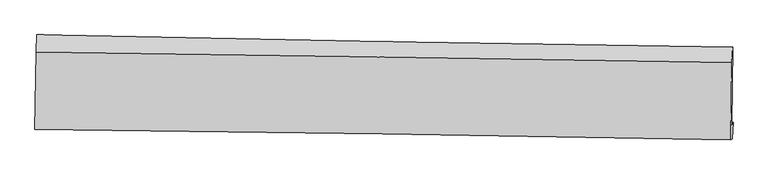
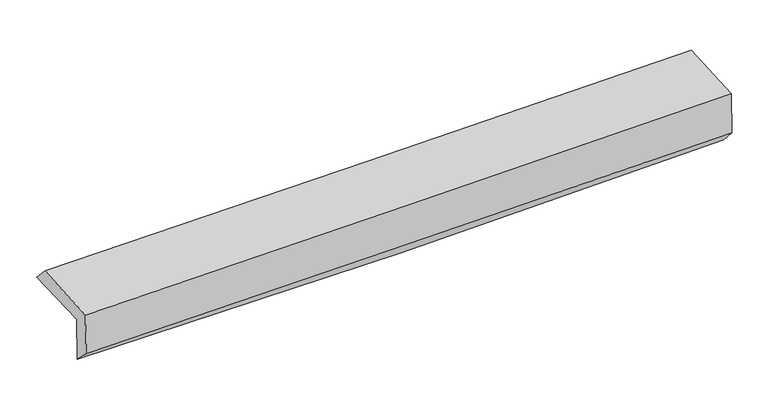
"""IFC4 building model written with IfcOpenShell, lengths in millimetres: proxy geometry."""

from ifc_helpers import new_model, si_unit, frame, origin, place, context, project, spatial, source, transform, mapped, element, save
from ifc_brep_helpers import plane_surface, spline_curve, spline_surface, advanced_brep


def generic_models_b0c7bb8a(model_context):
    return source(origin(), model_context, "Body", "AdvancedBrep", [
        advanced_brep(
        [(-3037.961766, -1752.9186602, 1960.637377), (-3027.7285283, -1080.1763421, 1967.4174707), (3024.6802159, -1189.3053956, 2106.4272679), (3014.2423661, -1866.0949067, 2104.3040422), (-3025.1324624, -1739.6831982, 1546.0754843), (3027.3348896, -1845.6497165, 1684.7722862), (-3032.3298912, -1898.821904, 1701.33675), (3020.1771517, -1987.382289, 1847.6003953), (-3044.4791078, -1906.4454856, 2096.424835), (3008.0325037, -1995.0030038, 2242.5399102), (-3034.8526452, -1230.4506475, 2124.7885677), (3017.5819393, -1324.417198, 2270.676688)],
        [
            (0, 1),
            (1, 2, spline_curve(3, [(-3027.7285283, -1080.1763421, 1967.4174707), (-2018.603170944, -1101.052237968, 1974.906941575), (-1009.650546885, -1120.584620196, 1990.236695669), (1007.819003886, -1156.96073106, 2036.574697235), (2016.335960793, -1173.804699888, 2067.581542275), (3024.6802159, -1189.3053956, 2106.4272679)], [4, 2, 4], [0.0, 9.933482797989996, 19.86607707314884])),
            (2, 3),
            (3, 0, spline_curve(3, [(3014.2423661, -1866.0949067, 2104.3040422), (2006.000415721, -1848.57064455, 2063.129917494), (997.551662724, -1830.377611367, 2030.570782804), (-1019.849677872, -1792.652315745, 1982.680353267), (-2028.802302031, -1773.119933186, 1967.350599173), (-3037.961766, -1752.9186602, 1960.637377)], [4, 2, 4], [0.0, 9.932594275158845, 19.86607707314884])),
            (4, 0),
            (3, 5),
            (5, 4, spline_curve(3, [(3027.3348896, -1845.6497165, 1684.7722862), (2019.064380281, -1831.623953145, 1642.75316179), (1010.579414052, -1815.781004588, 1610.185627016), (-1006.909664924, -1780.459157221, 1563.951668342), (-2015.913816295, -1760.979932815, 1550.286935892), (-3025.1324624, -1739.6831982, 1546.0754843)], [4, 2, 4], [0.0, 9.932659657887333, 19.866207844454646])),
            (6, 4),
            (5, 7),
            (7, 6, spline_curve(3, [(3020.1771517, -1987.382289, 1847.6003953), (2011.661215736, -1969.164762786, 1815.777078604), (1003.050223838, -1952.676220172, 1787.677161883), (-1014.452107103, -1923.155782707, 1738.92194711), (-2023.34346233, -1910.124196661, 1718.267315728), (-3032.3298912, -1898.821904, 1701.33675)], [4, 2, 4], [0.0, 9.932419777026315, 19.865728061274005])),
            (8, 6),
            (7, 9),
            (9, 8, spline_curve(3, [(3008.0325037, -1995.0030038, 2242.5399102), (1999.517378134, -1976.784969272, 2210.690248166), (990.906410438, -1960.296411407, 2182.589537754), (-1026.59744317, -1930.776929116, 2133.883841653), (-2035.490345724, -1917.746314358, 2113.279527189), (-3044.4791078, -1906.4454856, 2096.424835)], [4, 2, 4], [0.0, 9.932268393937115, 19.86542528155359])),
            (10, 8),
            (9, 11),
            (11, 10, spline_curve(3, [(3017.5819393, -1324.417198, 2270.676688), (2009.057921886, -1306.823568694, 2238.800826631), (1000.448926314, -1290.196514849, 2210.705927218), (-1017.029253298, -1258.874158439, 2162.075877373), (-2025.898452568, -1244.179028505, 2141.541403275), (-3034.8526452, -1230.4506475, 2124.7885677)], [4, 2, 4], [0.0, 9.93226189391328, 19.86541228092446])),
            (1, 10),
            (11, 2),
        ],
        [
            spline_surface(3, 3, [[(-3037.961766, -1752.9186602, 1960.637377), (-2028.802302188, -1773.119933292, 1967.350599181), (-1019.849677751, -1792.652315638, 1982.680353134), (997.551662604, -1830.377611474, 2030.570782936), (2006.000415556, -1848.570644645, 2063.129917342), (3014.2423661, -1866.0949067, 2104.3040422)], [(-3034.550686778, -1528.671220848, 1962.897408226), (-2025.402591833, -1549.097368167, 1969.869380014), (-1016.449967397, -1568.629750514, 1985.199133967), (1000.974109675, -1605.905318008, 2032.572087701), (2009.44559731, -1623.648663066, 2064.613792325), (3017.721649371, -1640.498403005, 2105.011784082)], [(-3031.139607522, -1304.423781452, 1965.157439474), (-2022.002881443, -1325.074803, 1972.388160868), (-1013.050257106, -1344.607185346, 1987.71791482), (1004.396556682, -1381.433024499, 2034.573392486), (2012.890779053, -1398.72668147, 2066.097667361), (3021.200932629, -1414.901899295, 2105.719526018)], [(-3027.7285283, -1080.1763421, 1967.4174707), (-2018.603171089, -1101.052237875, 1974.9069417), (-1009.650546752, -1120.584620222, 1990.236695653), (1007.819003753, -1156.960731034, 2036.574697251), (2016.335960807, -1173.80469989, 2067.581542344), (3024.6802159, -1189.3053956, 2106.4272679)]], [4, 4], [4, 2, 4], [0.0, 2.2075269526412757], [0.0, 9.933482797989996, 19.86607707314884]),
            spline_surface(3, 3, [[(-3025.1324624, -1739.6831982, 1546.0754843), (-2015.913816144, -1760.979932892, 1550.286936018), (-1006.909664904, -1780.459157076, 1563.951668499), (1010.579414032, -1815.781004732, 1610.185626858), (2019.064380179, -1831.62395328, 1642.753161689), (3027.3348896, -1845.6497165, 1684.7722862)], [(-3029.408896937, -1744.09501887, 1684.262781844), (-2020.209978162, -1765.026599695, 1689.30815705), (-1011.223002539, -1784.523543252, 1703.527896736), (1006.236830204, -1820.646540301, 1750.314012242), (2014.709725317, -1837.272850379, 1782.878746911), (3022.970715112, -1852.464779877, 1824.616204871)], [(-3033.685331463, -1748.50683953, 1822.450079456), (-2024.50614017, -1769.073266489, 1828.329378149), (-1015.536340117, -1788.587929462, 1843.104124897), (1001.894246432, -1825.512075905, 1890.442397552), (2010.355070418, -1842.921747547, 1923.004332119), (3018.606540588, -1859.279843323, 1964.460123529)], [(-3037.961766, -1752.9186602, 1960.637377), (-2028.802302188, -1773.119933292, 1967.350599181), (-1019.849677751, -1792.652315638, 1982.680353134), (997.551662604, -1830.377611474, 2030.570782936), (2006.000415556, -1848.570644645, 2063.129917342), (3014.2423661, -1866.0949067, 2104.3040422)]], [4, 4], [4, 2, 4], [0.0, 1.3778588129090616], [0.0, 9.933548186567313, 19.866207844454646]),
            spline_surface(3, 3, [[(-3032.3298912, -1898.821904, 1701.33675), (-2023.343462432, -1910.124196729, 1718.267315581), (-1014.452106945, -1923.155782605, 1738.921947192), (1003.05022368, -1952.676220275, 1787.6771618), (2011.661215829, -1969.164762754, 1815.777078644), (3020.1771517, -1987.382289, 1847.6003953)], [(-3029.930748242, -1845.775668732, 1649.582994771), (-2020.866913645, -1860.409442116, 1662.273855731), (-1011.937959599, -1875.590240773, 1680.598520947), (1005.559953796, -1907.044481772, 1728.513316805), (2014.128937278, -1923.317826289, 1758.102439669), (3022.563064333, -1940.138098193, 1793.324358943)], [(-3027.531605358, -1792.729433468, 1597.829239529), (-2018.390364931, -1810.694687506, 1606.280395868), (-1009.423812249, -1828.024698908, 1622.275094744), (1008.069683917, -1861.412743235, 1669.349471853), (2016.59665873, -1877.470889745, 1700.427800665), (3024.948976967, -1892.893907307, 1739.048322557)], [(-3025.1324624, -1739.6831982, 1546.0754843), (-2015.913816144, -1760.979932892, 1550.286936018), (-1006.909664904, -1780.459157076, 1563.951668499), (1010.579414032, -1815.781004732, 1610.185626858), (2019.064380179, -1831.62395328, 1642.753161689), (3027.3348896, -1845.6497165, 1684.7722862)]], [4, 4], [4, 2, 4], [0.0, 0.7384226318098137], [0.0, 9.93330828424769, 19.865728061274005]),
            spline_surface(3, 3, [[(-3044.4791078, -1906.4454856, 2096.424835), (-2035.490345873, -1917.746314282, 2113.279527111), (-1026.597443046, -1930.776929181, 2133.883841792), (990.906410313, -1960.296411341, 2182.589537615), (1999.517377972, -1976.784969193, 2210.690248001), (3008.0325037, -1995.0030038, 2242.5399102)], [(-3040.429368931, -1903.904291737, 1964.728806669), (-2031.441384723, -1915.205608435, 1981.608789937), (-1022.548997656, -1928.236546971, 2002.229876945), (994.954348125, -1957.756347635, 2050.95207903), (2003.565323918, -1974.244900381, 2079.052524873), (3012.080719694, -1992.462765535, 2110.893405224)], [(-3036.379630069, -1901.363097863, 1833.032778331), (-2027.392423582, -1912.664902577, 1849.938052756), (-1018.500552334, -1925.696164815, 1870.575912039), (999.002285869, -1955.216283982, 1919.314620385), (2007.613269883, -1971.704831565, 1947.414801773), (3016.128935706, -1989.922527265, 1979.246900276)], [(-3032.3298912, -1898.821904, 1701.33675), (-2023.343462432, -1910.124196729, 1718.267315581), (-1014.452106945, -1923.155782605, 1738.921947192), (1003.05022368, -1952.676220275, 1787.6771618), (2011.661215829, -1969.164762754, 1815.777078644), (3020.1771517, -1987.382289, 1847.6003953)]], [4, 4], [4, 2, 4], [0.0, 1.2965790758539941], [0.0, 9.933156887616477, 19.86542528155359]),
            spline_surface(3, 3, [[(-3034.8526452, -1230.4506475, 2124.7885677), (-2025.898452682, -1244.179028607, 2141.541403341), (-1017.029253312, -1258.874158426, 2162.075877338), (1000.448926328, -1290.196514862, 2210.705927253), (2009.057921769, -1306.823568547, 2238.800826695), (3017.5819393, -1324.417198, 2270.676688)], [(-3038.06146607, -1455.782260204, 2115.333990146), (-2029.095750416, -1468.70145717, 2132.120777944), (-1020.218649905, -1482.841748675, 2152.678532126), (997.268087641, -1513.563147019, 2201.333797344), (2005.877740497, -1530.144035426, 2229.430633812), (3014.398794093, -1547.945799931, 2261.297762082)], [(-3041.27028693, -1681.113872896, 2105.879412554), (-2032.293048139, -1693.22388572, 2122.700152509), (-1023.408046453, -1706.809338932, 2143.281187003), (994.087249, -1736.929779184, 2191.961667524), (2002.697559244, -1753.464502313, 2220.060440884), (3011.215648907, -1771.474401869, 2251.918836118)], [(-3044.4791078, -1906.4454856, 2096.424835), (-2035.490345873, -1917.746314282, 2113.279527111), (-1026.597443046, -1930.776929181, 2133.883841792), (990.906410313, -1960.296411341, 2182.589537615), (1999.517377972, -1976.784969193, 2210.690248001), (3008.0325037, -1995.0030038, 2242.5399102)]], [4, 4], [4, 2, 4], [0.0, 2.2036082082720974], [0.0, 9.93315038701118, 19.86541228092446]),
            spline_surface(3, 3, [[(-3027.7285283, -1080.1763421, 1967.4174707), (-2018.603171089, -1101.052237875, 1974.9069417), (-1009.650546752, -1120.584620222, 1990.236695653), (1007.819003753, -1156.960731034, 2036.574697251), (2016.335960807, -1173.80469989, 2067.581542344), (3024.6802159, -1189.3053956, 2106.4272679)], [(-3030.103233942, -1130.267777209, 2019.874503044), (-2021.034931629, -1148.761168095, 2030.451762258), (-1012.110115614, -1166.681132963, 2047.516422887), (1005.362311269, -1201.372658983, 2094.61844059), (2013.909947792, -1218.144322768, 2124.654637125), (3022.314123697, -1234.342663059, 2161.177074598)], [(-3032.477939558, -1180.359212391, 2072.331535356), (-2023.466692142, -1196.470098387, 2085.996582784), (-1014.56968445, -1212.777645684, 2104.796150104), (1002.905618812, -1245.784586913, 2152.662183913), (2011.483934785, -1262.483945669, 2181.727731914), (3019.948031503, -1279.379930541, 2215.926881302)], [(-3034.8526452, -1230.4506475, 2124.7885677), (-2025.898452682, -1244.179028607, 2141.541403341), (-1017.029253312, -1258.874158426, 2162.075877338), (1000.448926328, -1290.196514862, 2210.705927253), (2009.057921769, -1306.823568547, 2238.800826695), (3017.5819393, -1324.417198, 2270.676688)]], [4, 4], [4, 2, 4], [0.0, 0.7218577655129825], [0.0, 9.933268110821189, 19.865647718014404]),
            plane_surface(frame((3018.6748444, -1701.3087516, 2042.7200983), z_axis=(0.9994164667528831, -0.015509070225492944, 0.030433447453817188), x_axis=(0.030730409339318893, 0.019283200754806676, -0.9993416833648479))),
            plane_surface(frame((-3033.7474002, -1601.4160396, 1899.4467475), z_axis=(-0.9994164667528699, 0.015509070226308614, -0.030433447453833185), x_axis=(-0.015208697623620718, -0.9998335648245378, -0.010076614850738207))),
        ],
        [
            (0, [[1, 2, 3, 4]]),
            (1, [[5, -4, 6, 7]]),
            (2, [[8, -7, 9, 10]]),
            (3, [[11, -10, 12, 13]]),
            (4, [[14, -13, 15, 16]]),
            (5, [[17, -16, 18, -2]]),
            (6, [[-12, -9, -6, -3, -18, -15]]),
            (7, [[-1, -5, -8, -11, -14, -17]]),
        ],
    ),
    ])


if __name__ == "__main__":
    model = new_model("IFC4")
    model_context = context("Model", 3, world=origin())
    ifc_project = project(units=[si_unit("LENGTHUNIT", "METRE", prefix="MILLI")], contexts=[model_context])
    site = spatial("IfcSite", under=ifc_project)
    building = spatial("IfcBuilding", under=site)
    placement = place(None, origin())
    generic_models_shape = generic_models_b0c7bb8a(model_context)
    element("IfcBuildingElementProxy", 1, Name="Generic Models", at=placement, inside=building, context=model_context, shape_type="MappedRepresentation", body=[
        mapped(generic_models_shape, transform((0.0, 0.0, 0.0), x_axis=(1.0, 0.0, 0.0), y_axis=(0.0, 1.0, 0.0), z_axis=(0.0, 0.0, 1.0))),
    ])
    save(model, "model.ifc")
